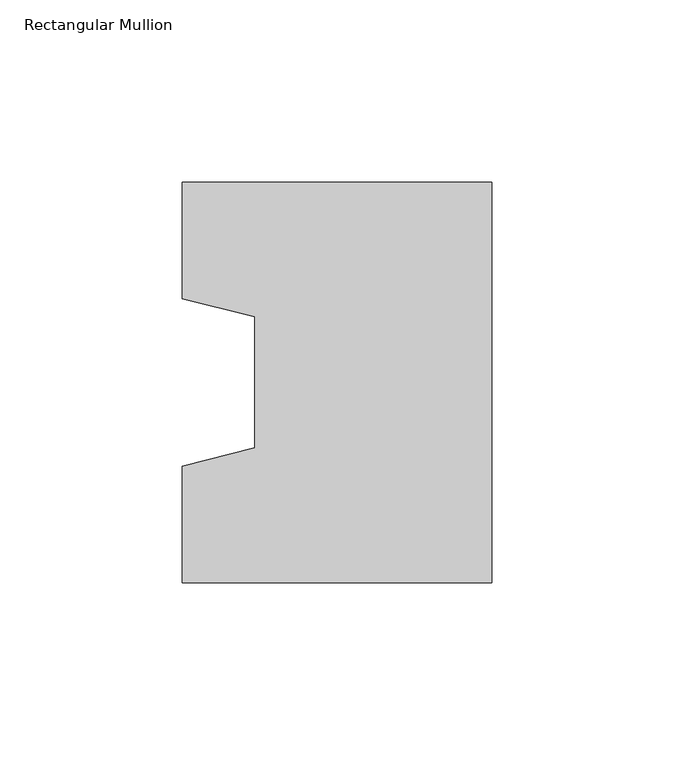
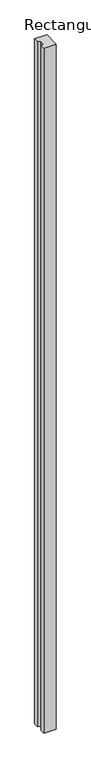
"""IFC4 building model written with IfcOpenShell, lengths in millimetres: column geometry, Rectangular Mullion."""

from ifc_helpers import new_model, si_unit, frame, origin, place, context, project, spatial, polyline, outline, extrude, source, transform, mapped, element, save


def rectangular_mullion_4d1d0ae7(model_context):
    return source(origin(), model_context, "Body", "SweptSolid", [
        extrude(outline(polyline([(-85.0, -55.0), (-85.0, -23.0), (-65.0, -18.0), (-65.0, 18.0), (-85.0, 23.0), (-85.0, 55.0), (0.0, 55.0), (0.0, -55.0), (-85.0, -55.0)])), frame((0.0, 0.0, -5000.0), z_axis=(0.0, 0.0, 1.0), x_axis=(1.0, 0.0, 0.0)), (0.0, 0.0, 1.0), 5000.0),
    ])


if __name__ == "__main__":
    model = new_model("IFC4")
    model_context = context("Model", 3, world=origin())
    ifc_project = project(units=[si_unit("LENGTHUNIT", "METRE", prefix="MILLI")], contexts=[model_context])
    site = spatial("IfcSite", under=ifc_project)
    building = spatial("IfcBuilding", under=site)
    placement = place(None, origin())
    rectangular_mullion_shape = rectangular_mullion_4d1d0ae7(model_context)
    element("IfcColumn", 1, ObjectType="Rectangular Mullion", at=placement, inside=building, context=model_context, shape_type="MappedRepresentation", body=[
        mapped(rectangular_mullion_shape, transform((0.0, 0.0, 0.0), x_axis=(1.0, 0.0, 0.0), y_axis=(0.0, 1.0, 0.0), z_axis=(0.0, 0.0, 1.0))),
    ])
    save(model, "model.ifc")
